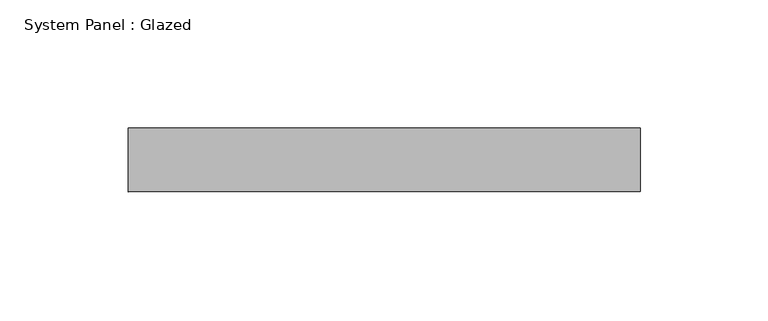
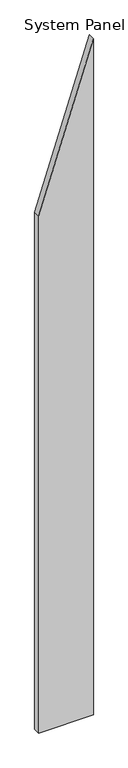
"""IFC4 building model written with IfcOpenShell, lengths in millimetres: plate geometry, System Panel : Glazed."""

from ifc_helpers import new_model, si_unit, frame, origin, place, context, project, spatial, polyline, outline, extrude, source, transform, mapped, element, save


def system_panel_glazed_ea582f8b(model_context):
    return source(origin(), model_context, "Body", "SweptSolid", [
        extrude(outline(polyline([(0.0, -100.0), (0.0, 100.0), (2615.3846163, 100.0), (2000.0000009, -100.0), (0.0, -100.0)])), frame((0.0, 24.5, 0.0), z_axis=(0.0, 1.0, 0.0), x_axis=(0.0, 0.0, 1.0)), (0.0, 0.0, 1.0), 25.0),
    ])


if __name__ == "__main__":
    model = new_model("IFC4")
    model_context = context("Model", 3, world=origin())
    ifc_project = project(units=[si_unit("LENGTHUNIT", "METRE", prefix="MILLI")], contexts=[model_context])
    site = spatial("IfcSite", under=ifc_project)
    building = spatial("IfcBuilding", under=site)
    placement = place(None, origin())
    system_panel_glazed_shape = system_panel_glazed_ea582f8b(model_context)
    element("IfcPlate", 1, ObjectType="System Panel : Glazed", at=placement, inside=building, context=model_context, shape_type="MappedRepresentation", body=[
        mapped(system_panel_glazed_shape, transform((0.0, 0.0, 0.0), x_axis=(1.0, 0.0, 0.0), y_axis=(0.0, 1.0, 0.0), z_axis=(0.0, 0.0, 1.0))),
    ])
    save(model, "model.ifc")
